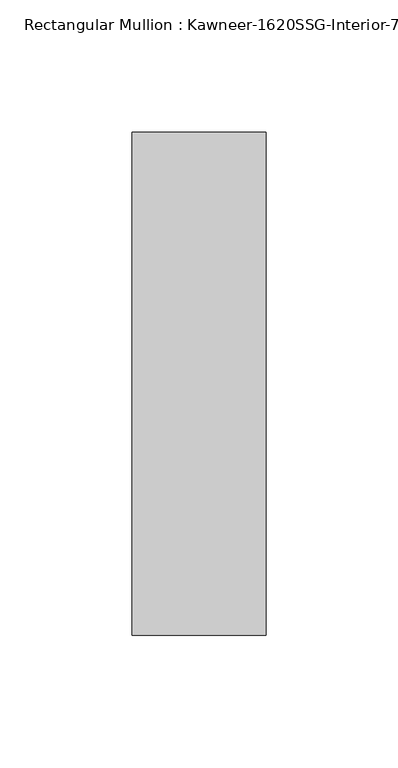
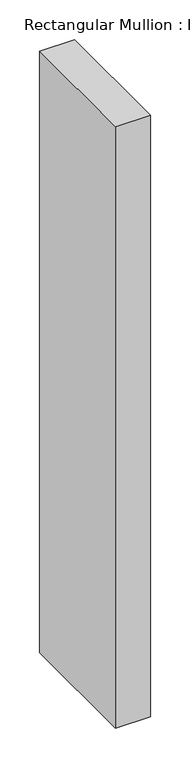
"""IFC4 building model written with IfcOpenShell, lengths in millimetres: member geometry."""

from ifc_helpers import new_model, si_unit, frame, origin, place, context, project, spatial, polyline, outline, extrude, source, transform, mapped, element, save


def member_97c43bda(model_context):
    return source(origin(), model_context, "Body", "SweptSolid", [
        extrude(outline(polyline([(25.4, -161.925), (-25.4, -161.925), (-25.4, 28.575), (25.4, 28.575), (25.4, -161.925)])), frame((0.0, 0.0, -923.2948107), z_axis=(0.0, 0.0, 1.0), x_axis=(1.0, 0.0, 0.0)), (0.0, 0.0, 1.0), 923.2948107),
    ])


if __name__ == "__main__":
    model = new_model("IFC4")
    model_context = context("Model", 3, world=origin())
    ifc_project = project(units=[si_unit("LENGTHUNIT", "METRE", prefix="MILLI")], contexts=[model_context])
    site = spatial("IfcSite", under=ifc_project)
    building = spatial("IfcBuilding", under=site)
    placement = place(None, origin())
    member_shape = member_97c43bda(model_context)
    element("IfcMember", 1, ObjectType="Rectangular Mullion : Kawneer-1620SSG-Interior-7.5\"-1/4\"Infill", at=placement, inside=building, context=model_context, shape_type="MappedRepresentation", body=[
        mapped(member_shape, transform((0.0, 0.0, 0.0), x_axis=(1.0, 0.0, 0.0), y_axis=(0.0, 1.0, 0.0), z_axis=(0.0, 0.0, 1.0))),
    ])
    save(model, "model.ifc")
